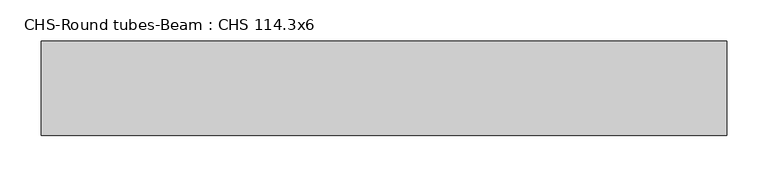
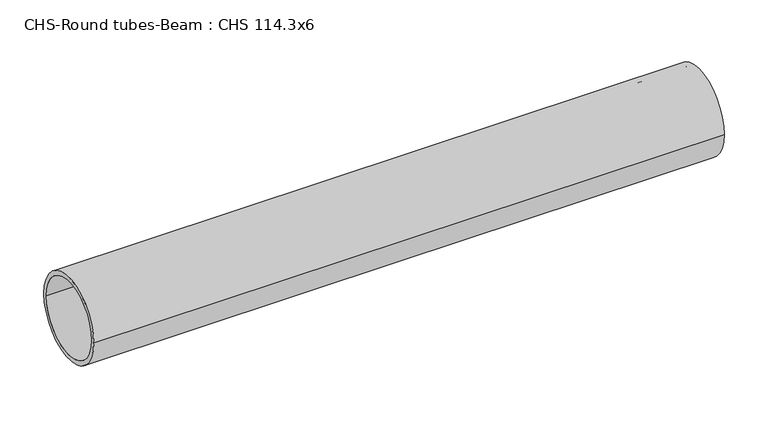
"""IFC4 building model written with IfcOpenShell, lengths in millimetres: beam geometry, CHS-Round tubes-Beam : CHS 114.3x6."""

from ifc_helpers import new_model, si_unit, point, frame, origin, origin_2d, place, context, project, spatial, circle_curve, trimmed, segment, composite_curve, outline, extrude, source, transform, mapped, element, save


def chs_round_tubes_beam_chs_114_3x6_3e9ad7a3(model_context):
    return source(origin(), model_context, "Body", "SweptSolid", [
        extrude(outline(composite_curve([segment(trimmed(circle_curve(origin_2d(), 57.15), [point((57.15, 0.0))], [point((-57.15, 0.0))], False, "CARTESIAN"), True, "CONTINUOUS"), segment(trimmed(circle_curve(origin_2d(), 57.15), [point((-57.15, 0.0))], [point((57.15, 0.0))], False, "CARTESIAN"), True, "CONTINUOUS")], self_intersect=False), holes=[composite_curve([segment(trimmed(circle_curve(origin_2d(), 51.15), [point((51.15, 0.0))], [point((-51.15, 0.0))], True, "CARTESIAN"), True, "CONTINUOUS"), segment(trimmed(circle_curve(origin_2d(), 51.15), [point((-51.15, 0.0))], [point((51.15, 0.0))], True, "CARTESIAN"), True, "CONTINUOUS")], self_intersect=False)]), frame((-420.4364618, 0.0, 0.0), z_axis=(1.0, 0.0, 0.0), x_axis=(0.0, 1.0, 0.0)), (0.0, 0.0, 1.0), 829.6123228),
    ])


if __name__ == "__main__":
    model = new_model("IFC4")
    model_context = context("Model", 3, world=origin())
    ifc_project = project(units=[si_unit("LENGTHUNIT", "METRE", prefix="MILLI")], contexts=[model_context])
    site = spatial("IfcSite", under=ifc_project)
    building = spatial("IfcBuilding", under=site)
    placement = place(None, origin())
    chs_round_tubes_beam_chs_114_3x6_shape = chs_round_tubes_beam_chs_114_3x6_3e9ad7a3(model_context)
    element("IfcBeam", 1, ObjectType="CHS-Round tubes-Beam : CHS 114.3x6", at=placement, inside=building, context=model_context, shape_type="MappedRepresentation", body=[
        mapped(chs_round_tubes_beam_chs_114_3x6_shape, transform((0.0, 0.0, 0.0), x_axis=(1.0, 0.0, 0.0), y_axis=(0.0, 1.0, 0.0), z_axis=(0.0, 0.0, 1.0))),
    ])
    save(model, "model.ifc")
